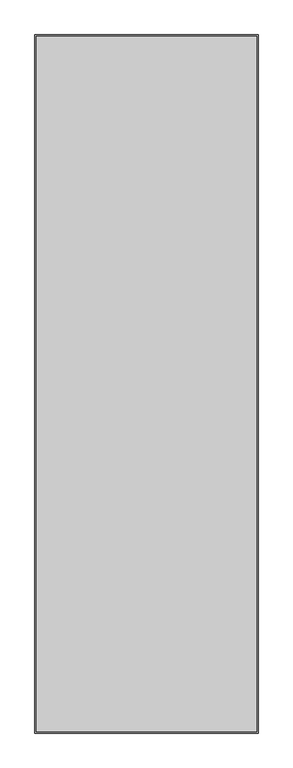
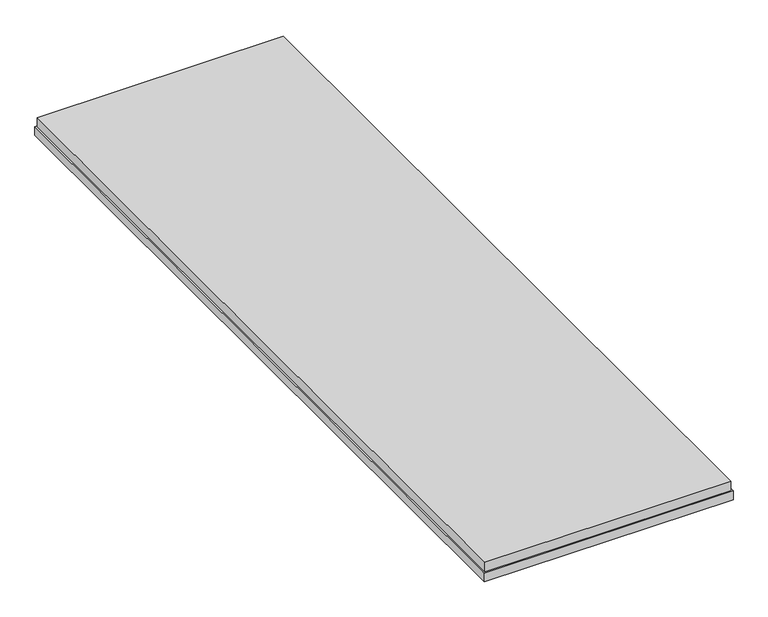
"""IFC4 building model written with IfcOpenShell, lengths in millimetres: proxy geometry."""

from ifc_helpers import new_model, si_unit, frame, origin, place, context, project, spatial, polyline, outline, extrude, source, transform, mapped, element, save


def generic_models_ccf29a14(model_context):
    return source(origin(), model_context, "Body", "SweptSolid", [
        extrude(outline(polyline([(727.0, -91.0), (727.0, -2186.0), (63.0, -2186.0), (63.0, -91.0), (727.0, -91.0)])), frame((0.0, 0.0, -43.0), z_axis=(0.0, 0.0, 1.0), x_axis=(1.0, 0.0, 0.0)), (0.0, 0.0, 1.0), 27.0),
        extrude(outline(polyline([(59.0, -87.0), (731.0, -87.0), (731.0, -2190.0), (59.0, -2190.0), (59.0, -87.0)]), holes=[polyline([(713.0, -105.0), (77.0, -105.0), (77.0, -2172.0), (713.0, -2172.0), (713.0, -105.0)])]), frame((0.0, 0.0, -68.0), z_axis=(0.0, 0.0, 1.0), x_axis=(1.0, 0.0, 0.0)), (0.0, 0.0, 1.0), 25.0),
    ])


if __name__ == "__main__":
    model = new_model("IFC4")
    model_context = context("Model", 3, world=origin())
    ifc_project = project(units=[si_unit("LENGTHUNIT", "METRE", prefix="MILLI")], contexts=[model_context])
    site = spatial("IfcSite", under=ifc_project)
    building = spatial("IfcBuilding", under=site)
    placement = place(None, origin())
    generic_models_shape = generic_models_ccf29a14(model_context)
    element("IfcBuildingElementProxy", 1, Name="Generic Models", at=placement, inside=building, context=model_context, shape_type="MappedRepresentation", body=[
        mapped(generic_models_shape, transform((0.0, 0.0, 0.0), x_axis=(1.0, 0.0, 0.0), y_axis=(0.0, 1.0, 0.0), z_axis=(0.0, 0.0, 1.0))),
    ])
    save(model, "model.ifc")
